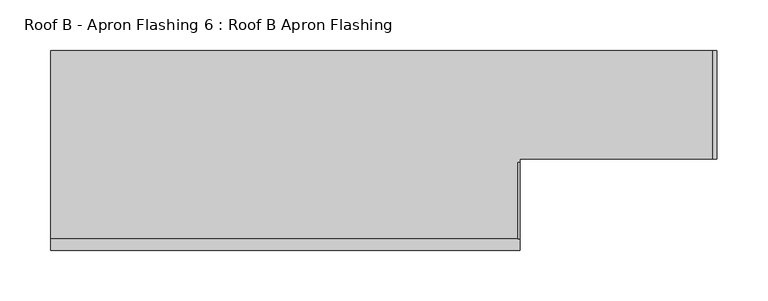
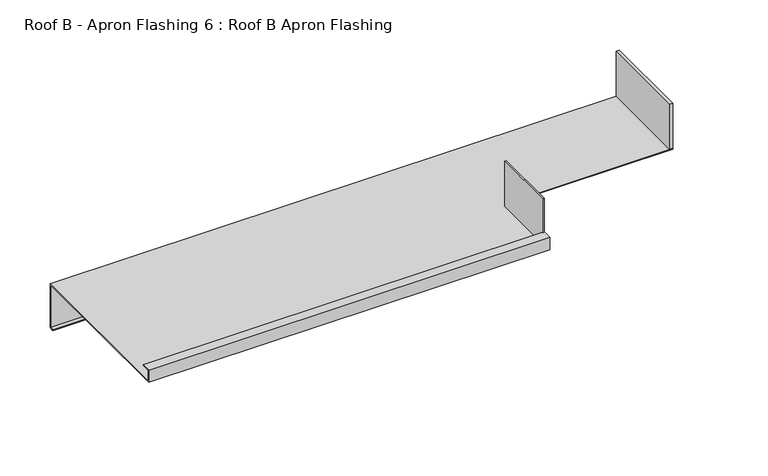
"""IFC4 building model written with IfcOpenShell, lengths in millimetres: proxy geometry, Roof B - Apron Flashing 6 : Roof B Apron Flashing."""

from ifc_helpers import new_model, si_unit, frame, origin, place, context, project, spatial, polyline, outline, extrude, faceted_brep, source, transform, mapped, element, save


def roof_b_apron_flashing_6_roof_b_apron_flashing_d0cb2b58(model_context):
    return source(origin(), model_context, "Body", "SolidModel", [
        extrude(outline(polyline([(13627.4791786, 471.3615096), (13627.4791786, 546.8615096), (13629.2905431, 546.8615096), (13629.2905431, 471.3615096), (13627.4791786, 471.3615096)])), frame((0.0, 0.0, 1713.337797), z_axis=(0.0, 0.0, 1.0), x_axis=(1.0, 0.0, 0.0)), (0.0, 0.0, 1.0), 56.0),
        extrude(outline(polyline([(13819.0652495, 656.8026399), (13822.9278737, 656.8026399), (13822.9278737, 550.3594915), (13819.0652495, 550.3594915), (13819.0652495, 656.8026399)])), frame((0.0, 0.0, 1714.337797), z_axis=(0.0, 0.0, 1.0), x_axis=(1.0, 0.0, 0.0)), (0.0, 0.0, 1.0), 55.0),
        faceted_brep([(13822.9278737, 655.8026399, 1713.337797), (13822.9278737, 655.8026399, 1661.7985834), (13822.9278737, 651.1437909, 1661.7985834), (13822.9278737, 651.1437909, 1660.7985834), (13822.9278737, 656.8026399, 1660.7985834), (13822.9278737, 656.8026399, 1714.337797), (13822.9278737, 550.3594915, 1714.337797), (13822.9278737, 550.3594915, 1713.337797), (13167.4791786, 656.8026399, 1714.337797), (13167.4791786, 656.8026399, 1660.7985834), (13167.4791786, 651.1437909, 1660.7985834), (13167.4791786, 651.1437909, 1661.7985834), (13167.4791786, 655.8026399, 1661.7985834), (13167.4791786, 655.8026399, 1713.337797), (13167.4791786, 460.3615096, 1713.337797), (13167.4791786, 460.3615096, 1728.337797), (13167.4791786, 471.3998223, 1728.337797), (13167.4791786, 471.3998223, 1727.337797), (13167.4791786, 461.3615096, 1727.337797), (13167.4791786, 461.3615096, 1714.337797), (13629.2905431, 461.3615096, 1714.337797), (13629.2905431, 550.3594915, 1714.337797), (13629.2905431, 550.3594915, 1713.337797), (13629.2905431, 460.3615096, 1713.337797), (13629.2905431, 461.3615096, 1727.337797), (13629.2905431, 471.3998223, 1727.337797), (13629.2905431, 471.3998223, 1728.337797), (13629.2905431, 460.3615096, 1728.337797)], [[[0, 1, 2, 3, 4, 5, 6, 7]], [[8, 9, 10, 11, 12, 13, 14, 15, 16, 17, 18, 19]], [[8, 19, 20, 21, 6, 5]], [[14, 13, 0, 7, 22, 23]], [[1, 0, 13, 12]], [[5, 4, 9, 8]], [[2, 1, 12, 11]], [[3, 2, 11, 10]], [[4, 3, 10, 9]], [[19, 18, 24, 20]], [[18, 17, 25, 24]], [[17, 16, 26, 25]], [[16, 15, 27, 26]], [[15, 14, 23, 27]], [[22, 21, 20, 24, 25, 26, 27, 23]], [[21, 22, 7, 6]]]),
    ])


if __name__ == "__main__":
    model = new_model("IFC4")
    model_context = context("Model", 3, world=origin())
    ifc_project = project(units=[si_unit("LENGTHUNIT", "METRE", prefix="MILLI")], contexts=[model_context])
    site = spatial("IfcSite", under=ifc_project)
    building = spatial("IfcBuilding", under=site)
    placement = place(None, origin())
    roof_b_apron_flashing_6_roof_b_apron_flashing_shape = roof_b_apron_flashing_6_roof_b_apron_flashing_d0cb2b58(model_context)
    element("IfcBuildingElementProxy", 1, Name="Roof B - Apron Flashing 6 : Roof B Apron Flashing", ObjectType="Roof B - Apron Flashing 6 : Roof B Apron Flashing", at=placement, inside=building, context=model_context, shape_type="MappedRepresentation", body=[
        mapped(roof_b_apron_flashing_6_roof_b_apron_flashing_shape, transform((0.0, 0.0, 0.0), x_axis=(1.0, 0.0, 0.0), y_axis=(0.0, 1.0, 0.0), z_axis=(0.0, 0.0, 1.0))),
    ])
    save(model, "model.ifc")
